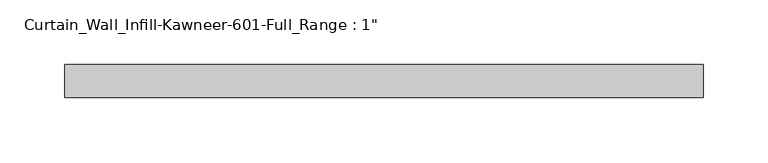
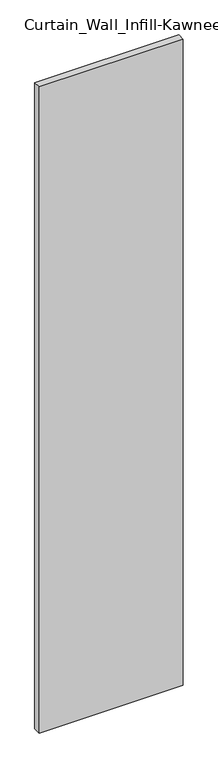
"""IFC4 building model written with IfcOpenShell, lengths in millimetres: plate geometry."""

import ifcopenshell
import ifcopenshell.guid

model = None  # the IFC model being written
_history = None  # IfcOwnerHistory: only IFC2X3 demands one
_inside = {}  # id of a spatial element -> (the spatial element, [elements in it])
_under = {}  # id of a project, library or spatial element -> (it, [spatial elements below it])
_declared = {}  # id of a project -> (the project, [libraries it declares])
_typed = {}  # id of a type object -> (the type object, [elements of that type])
_made_of = {}  # id of a material, layer set ... -> (it, [elements and type objects made of it])


def new_model(schema):
    """Start an empty IFC model of exactly this schema.

    Asked for "IFC4X3", IfcOpenShell would pick the latest addendum, in which some entities
    have other attributes; the version numbers below select the first issue.
    IFC2X3 requires an IfcOwnerHistory on every rooted entity: one is made here for all.
    """
    global model, _history
    if schema == "IFC4X3":
        model = ifcopenshell.file(schema_version=(4, 3, 0, 0))
    else:
        model = ifcopenshell.file(schema=schema)
    _inside.clear()
    _under.clear()
    _declared.clear()
    _typed.clear()
    _made_of.clear()
    _history = None
    if model.schema == "IFC2X3":
        org = make("IfcOrganization", Name="unknown")
        user = make(
            "IfcPersonAndOrganization",
            ThePerson=make("IfcPerson", FamilyName="unknown"),
            TheOrganization=org,
        )
        app = make(
            "IfcApplication",
            ApplicationDeveloper=org,
            Version="unknown",
            ApplicationFullName="unknown",
            ApplicationIdentifier="unknown",
        )
        _history = make(
            "IfcOwnerHistory",
            OwningUser=user,
            OwningApplication=app,
            ChangeAction="ADDED",
            CreationDate=0,
        )
    return model


def make(cls, **values):
    """One entity of the class cls with the attributes given. An attribute that is None is left unset."""
    return model.create_entity(
        cls, **{name: value for name, value in values.items() if value is not None}
    )


def rooted(cls, **values):
    """An entity with a GlobalId (a new one), such as an element, a storey or a relation."""
    return make(cls, GlobalId=ifcopenshell.guid.new(), OwnerHistory=_history, **values)


def si_unit(unit_type, name, prefix=None):
    """IfcSIUnit, for example si_unit("LENGTHUNIT", "METRE", prefix="MILLI")."""
    return make("IfcSIUnit", UnitType=unit_type, Prefix=prefix, Name=name)


def assignment(units):
    """IfcUnitAssignment: the units of a project."""
    return None if units is None else make("IfcUnitAssignment", Units=units)


def point(xyz):
    """IfcCartesianPoint."""
    return None if xyz is None else make("IfcCartesianPoint", Coordinates=xyz)


def direction(xyz):
    """IfcDirection."""
    return None if xyz is None else make("IfcDirection", DirectionRatios=xyz)


def frame(location, z_axis=None, x_axis=None):
    """IfcAxis2Placement3D, a coordinate frame: its origin and axes. An axis left out is left unset."""
    return make(
        "IfcAxis2Placement3D",
        Location=point(location),
        Axis=direction(z_axis),
        RefDirection=direction(x_axis),
    )


def origin():
    """The frame at (0, 0, 0) with its axes left unset."""
    return frame((0.0, 0.0, 0.0))


def origin_with_axes():
    """The frame at (0, 0, 0) with the z axis (0, 0, 1) and the x axis (1, 0, 0) written out."""
    return frame((0.0, 0.0, 0.0), z_axis=(0.0, 0.0, 1.0), x_axis=(1.0, 0.0, 0.0))


def place(relative_to, where):
    """IfcLocalPlacement: puts the frame where relative to a parent placement (None: the world)."""
    return make(
        "IfcLocalPlacement", PlacementRelTo=relative_to, RelativePlacement=where
    )


def context(
    kind, dimensions, precision=None, world=None, true_north=None, identifier=None
):
    """IfcGeometricRepresentationContext, for example the 3D "Model" context."""
    return make(
        "IfcGeometricRepresentationContext",
        ContextIdentifier=identifier,
        ContextType=kind,
        CoordinateSpaceDimension=dimensions,
        Precision=precision,
        WorldCoordinateSystem=world,
        TrueNorth=true_north,
    )


def project(units=None, contexts=None):
    """IfcProject with its units and contexts."""
    return rooted(
        "IfcProject",
        Name="project",
        RepresentationContexts=contexts,
        UnitsInContext=assignment(units),
    )


def spatial(cls, under=None, at=None, **own):
    """A site, building, storey or space (cls), placed at a placement, below another one or the project."""
    s = rooted(cls, ObjectPlacement=at, **own)
    if under is not None:
        _under.setdefault(under.id(), (under, []))[1].append(s)
    return s


def polyline(points):
    """IfcPolyline through the points."""
    return make("IfcPolyline", Points=[point(p) for p in points])


def outline(outer, holes=None, kind="AREA"):
    """IfcArbitraryClosedProfileDef: a profile drawn as a closed curve; with holes, ...WithVoids."""
    if holes is None:
        return make("IfcArbitraryClosedProfileDef", ProfileType=kind, OuterCurve=outer)
    return make(
        "IfcArbitraryProfileDefWithVoids",
        ProfileType=kind,
        OuterCurve=outer,
        InnerCurves=holes,
    )


def extrude(swept, where, along, depth):
    """IfcExtrudedAreaSolid: the profile swept, set in the frame where, extruded along a direction by depth."""
    return make(
        "IfcExtrudedAreaSolid",
        SweptArea=swept,
        Position=where,
        ExtrudedDirection=direction(along),
        Depth=depth,
    )


def shape(context_of_items, identifier, shape_type, items):
    """IfcShapeRepresentation: the items that make up one representation, for example the "Body"."""
    return make(
        "IfcShapeRepresentation",
        ContextOfItems=context_of_items,
        RepresentationIdentifier=identifier,
        RepresentationType=shape_type,
        Items=items,
    )


def source(mapping_origin, context_of_items, identifier, shape_type, items):
    """IfcRepresentationMap: a shape defined once, which mapped items show again and again."""
    return make(
        "IfcRepresentationMap",
        MappingOrigin=mapping_origin,
        MappedRepresentation=shape(context_of_items, identifier, shape_type, items),
    )


def transform(
    local_origin,
    x_axis=None,
    y_axis=None,
    z_axis=None,
    scale=None,
    scale2=None,
    scale3=None,
    uniform=True,
):
    """IfcCartesianTransformationOperator3D, or its non-uniform kind. x_axis, y_axis, z_axis: its Axis1, 2, 3."""
    if uniform:
        return make(
            "IfcCartesianTransformationOperator3D",
            Axis1=direction(x_axis),
            Axis2=direction(y_axis),
            LocalOrigin=point(local_origin),
            Scale=scale,
            Axis3=direction(z_axis),
        )
    return make(
        "IfcCartesianTransformationOperator3DnonUniform",
        Axis1=direction(x_axis),
        Axis2=direction(y_axis),
        LocalOrigin=point(local_origin),
        Scale=scale,
        Axis3=direction(z_axis),
        Scale2=scale2,
        Scale3=scale3,
    )


def mapped(mapping_source, mapping_target):
    """IfcMappedItem: shows the shape of a source again, moved by a transform."""
    return make(
        "IfcMappedItem", MappingSource=mapping_source, MappingTarget=mapping_target
    )


def made_of(thing, what):
    """Note that an element or type object is made of a material, layer set ...; save() writes the relation."""
    if what is not None:
        _made_of.setdefault(what.id(), (what, []))[1].append(thing)
    return thing


def element(
    cls,
    number,
    at=None,
    inside=None,
    cuts=None,
    type_object=None,
    material=None,
    context=None,
    identifier="Body",
    shape_type=None,
    held_by="IfcProductDefinitionShape",
    body=None,
    shapes=None,
    **own,
):
    """One element of the class cls, such as IfcWall. Its Tag is "e" and its number.

    at: its placement. inside: the storey or other place that contains it. cuts: it is an
    opening in that element (IfcRelVoidsElement). A single representation is given by context,
    identifier, shape_type and body (its items); several are given by shapes. held_by: the class
    of the entity that holds the representations. save() writes the other relations.
    """
    e = rooted(cls, Tag="e%d" % number, ObjectPlacement=at, **own)
    if body is not None:
        shapes = [shape(context, identifier, shape_type, body)]
    if shapes is not None:
        e.Representation = make(held_by, Representations=shapes)
    if inside is not None:
        _inside.setdefault(inside.id(), (inside, []))[1].append(e)
    if cuts is not None:
        rooted(
            "IfcRelVoidsElement", RelatingBuildingElement=cuts, RelatedOpeningElement=e
        )
    if type_object is not None:
        _typed.setdefault(type_object.id(), (type_object, []))[1].append(e)
    return made_of(e, material)


def aggregate(whole, parts):
    """IfcRelAggregates: a whole, such as a stair, and the parts it consists of."""
    return rooted("IfcRelAggregates", RelatingObject=whole, RelatedObjects=parts)


def save(model, path):
    """Write the relations noted so far, then the file.

    IfcRelAggregates (storeys below a building ...), IfcRelContainedInSpatialStructure (elements
    in a storey), IfcRelDefinesByType, IfcRelAssociatesMaterial and IfcRelDeclares: one each for
    every whole, place, type object, material and project.
    """
    for whole, parts in _under.values():
        aggregate(whole, parts)
    for where, things in _inside.values():
        rooted(
            "IfcRelContainedInSpatialStructure",
            RelatedElements=things,
            RelatingStructure=where,
        )
    for kind, things in _typed.values():
        rooted("IfcRelDefinesByType", RelatedObjects=things, RelatingType=kind)
    for what, things in _made_of.values():
        rooted("IfcRelAssociatesMaterial", RelatedObjects=things, RelatingMaterial=what)
    for by, libraries in _declared.values():
        rooted("IfcRelDeclares", RelatingContext=by, RelatedDefinitions=libraries)
    model.write(path)


def plate_de6923f1(model_context):
    return source(origin(), model_context, "Body", "SweptSolid", [
        extrude(outline(polyline([(-246.0625, 12.7), (246.0625, 12.7), (246.0625, -12.7), (-246.0625, -12.7), (-246.0625, 12.7)])), origin_with_axes(), (0.0, 0.0, 1.0), 2330.45),
    ])


if __name__ == "__main__":
    model = new_model("IFC4")
    model_context = context("Model", 3, world=origin())
    ifc_project = project(units=[si_unit("LENGTHUNIT", "METRE", prefix="MILLI")], contexts=[model_context])
    site = spatial("IfcSite", under=ifc_project)
    building = spatial("IfcBuilding", under=site)
    placement = place(None, origin())
    plate_shape = plate_de6923f1(model_context)
    element("IfcPlate", 1, ObjectType="Curtain_Wall_Infill-Kawneer-601-Full_Range : 1\"", at=placement, inside=building, context=model_context, shape_type="MappedRepresentation", body=[
        mapped(plate_shape, transform((0.0, 0.0, 0.0), x_axis=(1.0, 0.0, 0.0), y_axis=(0.0, 1.0, 0.0), z_axis=(0.0, 0.0, 1.0))),
    ])
    save(model, "model.ifc")
